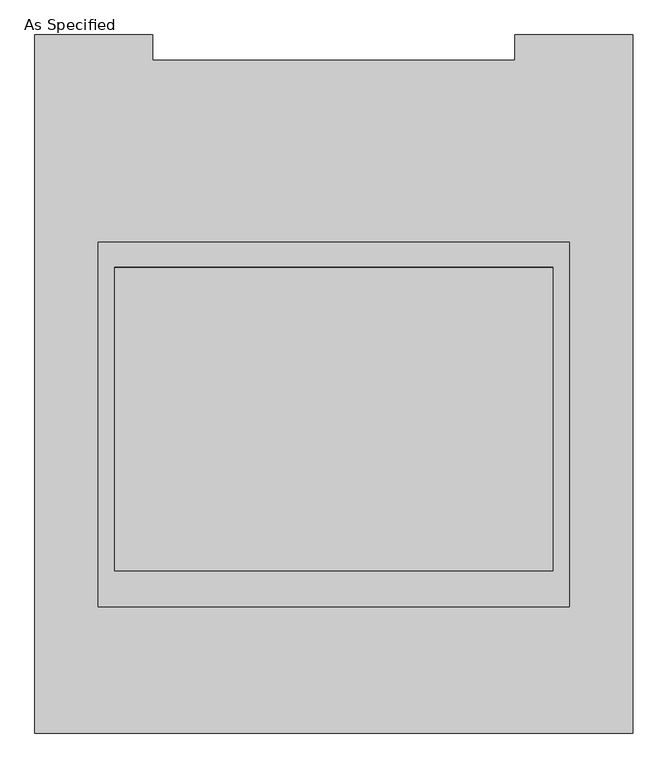
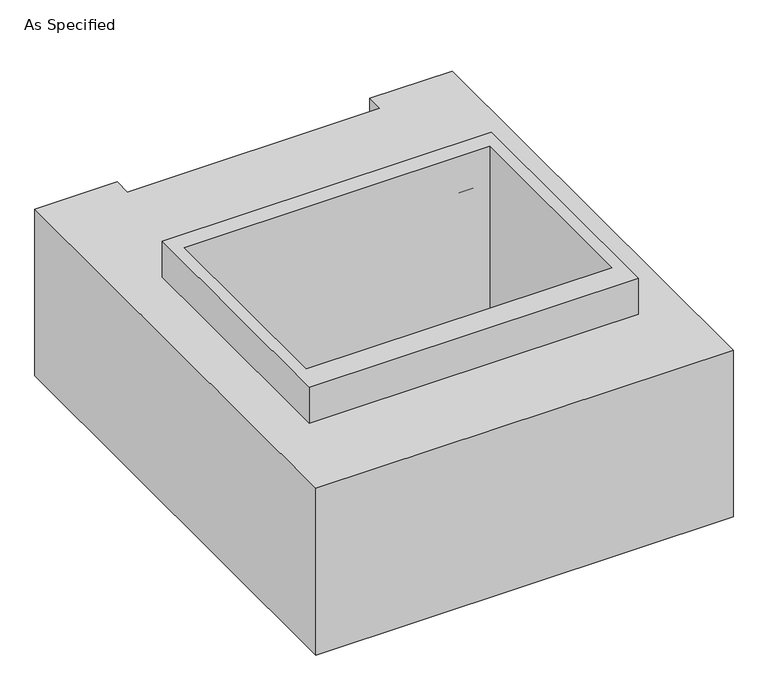
"""IFC4 building model written with IfcOpenShell, lengths in millimetres: proxy geometry, As Specified."""

import ifcopenshell
import ifcopenshell.guid

model = None  # the IFC model being written
_history = None  # IfcOwnerHistory: only IFC2X3 demands one
_inside = {}  # id of a spatial element -> (the spatial element, [elements in it])
_under = {}  # id of a project, library or spatial element -> (it, [spatial elements below it])
_declared = {}  # id of a project -> (the project, [libraries it declares])
_typed = {}  # id of a type object -> (the type object, [elements of that type])
_made_of = {}  # id of a material, layer set ... -> (it, [elements and type objects made of it])


def new_model(schema):
    """Start an empty IFC model of exactly this schema.

    Asked for "IFC4X3", IfcOpenShell would pick the latest addendum, in which some entities
    have other attributes; the version numbers below select the first issue.
    IFC2X3 requires an IfcOwnerHistory on every rooted entity: one is made here for all.
    """
    global model, _history
    if schema == "IFC4X3":
        model = ifcopenshell.file(schema_version=(4, 3, 0, 0))
    else:
        model = ifcopenshell.file(schema=schema)
    _inside.clear()
    _under.clear()
    _declared.clear()
    _typed.clear()
    _made_of.clear()
    _history = None
    if model.schema == "IFC2X3":
        org = make("IfcOrganization", Name="unknown")
        user = make(
            "IfcPersonAndOrganization",
            ThePerson=make("IfcPerson", FamilyName="unknown"),
            TheOrganization=org,
        )
        app = make(
            "IfcApplication",
            ApplicationDeveloper=org,
            Version="unknown",
            ApplicationFullName="unknown",
            ApplicationIdentifier="unknown",
        )
        _history = make(
            "IfcOwnerHistory",
            OwningUser=user,
            OwningApplication=app,
            ChangeAction="ADDED",
            CreationDate=0,
        )
    return model


def make(cls, **values):
    """One entity of the class cls with the attributes given. An attribute that is None is left unset."""
    return model.create_entity(
        cls, **{name: value for name, value in values.items() if value is not None}
    )


def rooted(cls, **values):
    """An entity with a GlobalId (a new one), such as an element, a storey or a relation."""
    return make(cls, GlobalId=ifcopenshell.guid.new(), OwnerHistory=_history, **values)


def si_unit(unit_type, name, prefix=None):
    """IfcSIUnit, for example si_unit("LENGTHUNIT", "METRE", prefix="MILLI")."""
    return make("IfcSIUnit", UnitType=unit_type, Prefix=prefix, Name=name)


def assignment(units):
    """IfcUnitAssignment: the units of a project."""
    return None if units is None else make("IfcUnitAssignment", Units=units)


def point(xyz):
    """IfcCartesianPoint."""
    return None if xyz is None else make("IfcCartesianPoint", Coordinates=xyz)


def direction(xyz):
    """IfcDirection."""
    return None if xyz is None else make("IfcDirection", DirectionRatios=xyz)


def frame(location, z_axis=None, x_axis=None):
    """IfcAxis2Placement3D, a coordinate frame: its origin and axes. An axis left out is left unset."""
    return make(
        "IfcAxis2Placement3D",
        Location=point(location),
        Axis=direction(z_axis),
        RefDirection=direction(x_axis),
    )


def origin():
    """The frame at (0, 0, 0) with its axes left unset."""
    return frame((0.0, 0.0, 0.0))


def place(relative_to, where):
    """IfcLocalPlacement: puts the frame where relative to a parent placement (None: the world)."""
    return make(
        "IfcLocalPlacement", PlacementRelTo=relative_to, RelativePlacement=where
    )


def context(
    kind, dimensions, precision=None, world=None, true_north=None, identifier=None
):
    """IfcGeometricRepresentationContext, for example the 3D "Model" context."""
    return make(
        "IfcGeometricRepresentationContext",
        ContextIdentifier=identifier,
        ContextType=kind,
        CoordinateSpaceDimension=dimensions,
        Precision=precision,
        WorldCoordinateSystem=world,
        TrueNorth=true_north,
    )


def project(units=None, contexts=None):
    """IfcProject with its units and contexts."""
    return rooted(
        "IfcProject",
        Name="project",
        RepresentationContexts=contexts,
        UnitsInContext=assignment(units),
    )


def spatial(cls, under=None, at=None, **own):
    """A site, building, storey or space (cls), placed at a placement, below another one or the project."""
    s = rooted(cls, ObjectPlacement=at, **own)
    if under is not None:
        _under.setdefault(under.id(), (under, []))[1].append(s)
    return s


def polyline(points):
    """IfcPolyline through the points."""
    return make("IfcPolyline", Points=[point(p) for p in points])


def outline(outer, holes=None, kind="AREA"):
    """IfcArbitraryClosedProfileDef: a profile drawn as a closed curve; with holes, ...WithVoids."""
    if holes is None:
        return make("IfcArbitraryClosedProfileDef", ProfileType=kind, OuterCurve=outer)
    return make(
        "IfcArbitraryProfileDefWithVoids",
        ProfileType=kind,
        OuterCurve=outer,
        InnerCurves=holes,
    )


def extrude(swept, where, along, depth):
    """IfcExtrudedAreaSolid: the profile swept, set in the frame where, extruded along a direction by depth."""
    return make(
        "IfcExtrudedAreaSolid",
        SweptArea=swept,
        Position=where,
        ExtrudedDirection=direction(along),
        Depth=depth,
    )


def faces_of(points, faces, orient=None, outer=None):
    """IfcFace entities. A face is a list of loops; a loop is a list of indices into points, from 0.

    orient and outer hold one flag for each loop. By default every Orientation is true, the
    first loop of a face is its IfcFaceOuterBound and the others are IfcFaceBound.
    """
    made = []
    for i, loops in enumerate(faces):
        bounds = []
        for j, loop in enumerate(loops):
            is_outer = j == 0 if outer is None else outer[i][j]
            bounds.append(
                make(
                    "IfcFaceOuterBound" if is_outer else "IfcFaceBound",
                    Bound=make("IfcPolyLoop", Polygon=[points[k] for k in loop]),
                    Orientation=True if orient is None else orient[i][j],
                )
            )
        made.append(make("IfcFace", Bounds=bounds))
    return made


def faceted_brep(points, faces, orient=None, outer=None, voids=None):
    """IfcFacetedBrep: a solid bounded by flat faces; with voids (closed shells), ...WithVoids."""
    shared = [point(p) for p in points]
    hull = make("IfcClosedShell", CfsFaces=faces_of(shared, faces, orient, outer))
    if voids is None:
        return make("IfcFacetedBrep", Outer=hull)
    return make(
        "IfcFacetedBrepWithVoids",
        Outer=hull,
        Voids=[
            make(cls, CfsFaces=faces_of(shared, fs, o, b)) for cls, fs, o, b in voids
        ],
    )


def shape(context_of_items, identifier, shape_type, items):
    """IfcShapeRepresentation: the items that make up one representation, for example the "Body"."""
    return make(
        "IfcShapeRepresentation",
        ContextOfItems=context_of_items,
        RepresentationIdentifier=identifier,
        RepresentationType=shape_type,
        Items=items,
    )


def source(mapping_origin, context_of_items, identifier, shape_type, items):
    """IfcRepresentationMap: a shape defined once, which mapped items show again and again."""
    return make(
        "IfcRepresentationMap",
        MappingOrigin=mapping_origin,
        MappedRepresentation=shape(context_of_items, identifier, shape_type, items),
    )


def transform(
    local_origin,
    x_axis=None,
    y_axis=None,
    z_axis=None,
    scale=None,
    scale2=None,
    scale3=None,
    uniform=True,
):
    """IfcCartesianTransformationOperator3D, or its non-uniform kind. x_axis, y_axis, z_axis: its Axis1, 2, 3."""
    if uniform:
        return make(
            "IfcCartesianTransformationOperator3D",
            Axis1=direction(x_axis),
            Axis2=direction(y_axis),
            LocalOrigin=point(local_origin),
            Scale=scale,
            Axis3=direction(z_axis),
        )
    return make(
        "IfcCartesianTransformationOperator3DnonUniform",
        Axis1=direction(x_axis),
        Axis2=direction(y_axis),
        LocalOrigin=point(local_origin),
        Scale=scale,
        Axis3=direction(z_axis),
        Scale2=scale2,
        Scale3=scale3,
    )


def mapped(mapping_source, mapping_target):
    """IfcMappedItem: shows the shape of a source again, moved by a transform."""
    return make(
        "IfcMappedItem", MappingSource=mapping_source, MappingTarget=mapping_target
    )


def made_of(thing, what):
    """Note that an element or type object is made of a material, layer set ...; save() writes the relation."""
    if what is not None:
        _made_of.setdefault(what.id(), (what, []))[1].append(thing)
    return thing


def element(
    cls,
    number,
    at=None,
    inside=None,
    cuts=None,
    type_object=None,
    material=None,
    context=None,
    identifier="Body",
    shape_type=None,
    held_by="IfcProductDefinitionShape",
    body=None,
    shapes=None,
    **own,
):
    """One element of the class cls, such as IfcWall. Its Tag is "e" and its number.

    at: its placement. inside: the storey or other place that contains it. cuts: it is an
    opening in that element (IfcRelVoidsElement). A single representation is given by context,
    identifier, shape_type and body (its items); several are given by shapes. held_by: the class
    of the entity that holds the representations. save() writes the other relations.
    """
    e = rooted(cls, Tag="e%d" % number, ObjectPlacement=at, **own)
    if body is not None:
        shapes = [shape(context, identifier, shape_type, body)]
    if shapes is not None:
        e.Representation = make(held_by, Representations=shapes)
    if inside is not None:
        _inside.setdefault(inside.id(), (inside, []))[1].append(e)
    if cuts is not None:
        rooted(
            "IfcRelVoidsElement", RelatingBuildingElement=cuts, RelatedOpeningElement=e
        )
    if type_object is not None:
        _typed.setdefault(type_object.id(), (type_object, []))[1].append(e)
    return made_of(e, material)


def aggregate(whole, parts):
    """IfcRelAggregates: a whole, such as a stair, and the parts it consists of."""
    return rooted("IfcRelAggregates", RelatingObject=whole, RelatedObjects=parts)


def save(model, path):
    """Write the relations noted so far, then the file.

    IfcRelAggregates (storeys below a building ...), IfcRelContainedInSpatialStructure (elements
    in a storey), IfcRelDefinesByType, IfcRelAssociatesMaterial and IfcRelDeclares: one each for
    every whole, place, type object, material and project.
    """
    for whole, parts in _under.values():
        aggregate(whole, parts)
    for where, things in _inside.values():
        rooted(
            "IfcRelContainedInSpatialStructure",
            RelatedElements=things,
            RelatingStructure=where,
        )
    for kind, things in _typed.values():
        rooted("IfcRelDefinesByType", RelatedObjects=things, RelatingType=kind)
    for what, things in _made_of.values():
        rooted("IfcRelAssociatesMaterial", RelatedObjects=things, RelatingMaterial=what)
    for by, libraries in _declared.values():
        rooted("IfcRelDeclares", RelatingContext=by, RelatedDefinitions=libraries)
    model.write(path)


def as_specified_427176af(model_context):
    return source(origin(), model_context, "Body", "SolidModel", [
        extrude(outline(polyline([(711.2, 465.534375), (711.2, -633.015625), (-711.2, -633.015625), (-711.2, 465.534375), (711.2, 465.534375)]), holes=[polyline([(-660.4, 389.3740625), (-660.4, -525.0259375), (660.4, -525.0259375), (660.4, 389.3740625), (-660.4, 389.3740625)])]), frame((0.0, 0.0, -762.0), z_axis=(0.0, 0.0, 1.0), x_axis=(1.0, 0.0, 0.0)), (0.0, 0.0, 1.0), 901.7),
        faceted_brep([(-901.7, -1014.015625, -787.4), (-901.7, 1090.374375, -787.4), (-546.1, 1090.374375, -787.4), (-546.1, 1014.015625, -787.4), (546.1, 1014.015625, -787.4), (546.1, 1090.374375, -787.4), (901.7, 1090.374375, -787.4), (901.7, -1014.015625, -787.4), (901.7, 1090.374375, -25.4), (546.1, 1090.374375, -25.4), (546.1, 1014.015625, -25.4), (-546.1, 1014.015625, -25.4), (-546.1, 1090.374375, -25.4), (-901.7, 1090.374375, -25.4), (-901.7, -1014.015625, -25.4), (901.7, -1014.015625, -25.4), (660.4, 389.3740625, -25.4), (660.4, -525.0259375, -25.4), (-660.4, -525.0259375, -25.4), (-660.4, 389.3740625, -25.4), (660.4, 389.3740625, -762.0), (-660.4, 389.3740625, -762.0), (-660.4, -525.0259375, -762.0), (660.4, -525.0259375, -762.0)], [[[0, 1, 2, 3, 4, 5, 6, 7]], [[8, 9, 10, 11, 12, 13, 14, 15], [16, 17, 18, 19]], [[3, 11, 10, 4]], [[15, 14, 0, 7]], [[20, 21, 22, 23]], [[20, 23, 17, 16]], [[23, 22, 18, 17]], [[22, 21, 19, 18]], [[21, 20, 16, 19]], [[0, 14, 13, 1]], [[2, 1, 13, 12]], [[3, 2, 12, 11]], [[7, 6, 8, 15]], [[6, 5, 9, 8]], [[5, 4, 10, 9]]]),
    ])


if __name__ == "__main__":
    model = new_model("IFC4")
    model_context = context("Model", 3, world=origin())
    ifc_project = project(units=[si_unit("LENGTHUNIT", "METRE", prefix="MILLI")], contexts=[model_context])
    site = spatial("IfcSite", under=ifc_project)
    building = spatial("IfcBuilding", under=site)
    placement = place(None, origin())
    as_specified_shape = as_specified_427176af(model_context)
    element("IfcBuildingElementProxy", 1, Name="As Specified", ObjectType="As Specified", at=placement, inside=building, context=model_context, shape_type="MappedRepresentation", body=[
        mapped(as_specified_shape, transform((0.0, 0.0, 0.0), x_axis=(1.0, 0.0, 0.0), y_axis=(0.0, 1.0, 0.0), z_axis=(0.0, 0.0, 1.0))),
    ])
    save(model, "model.ifc")
